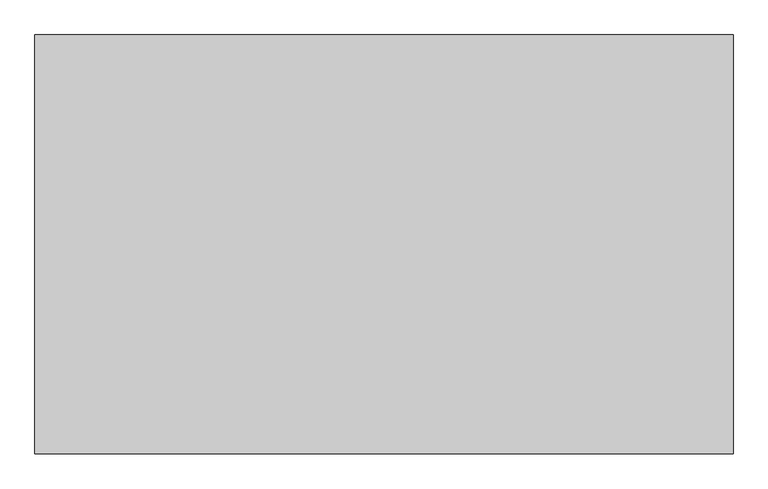
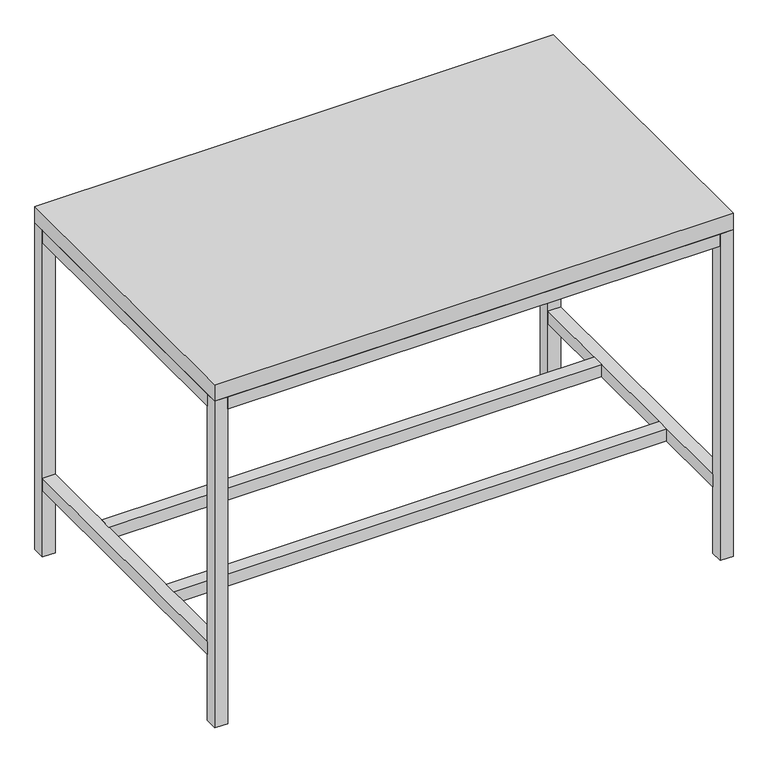
"""IFC4 building model written with IfcOpenShell, lengths in millimetres: furniture geometry."""

from ifc_helpers import new_model, si_unit, frame, origin, origin_with_axes, place, context, project, spatial, polyline, outline, extrude, source, transform, mapped, element, save


def furniture_ef6c764c(model_context):
    return source(origin(), model_context, "Body", "SweptSolid", [
        extrude(outline(polyline([(6337.3, 445.5973297), (6337.3, -468.8026703), (4813.3, -468.8026703), (4813.3, 445.5973297), (6337.3, 445.5973297)])), frame((0.0, 0.0, 1016.0), z_axis=(0.0, 0.0, 1.0), x_axis=(1.0, 0.0, 0.0)), (0.0, 0.0, 1.0), 50.8),
        extrude(outline(polyline([(6299.2, 172.5473297), (6299.2, 134.4473297), (4851.4, 134.4473297), (4851.4, 172.5473297), (6299.2, 172.5473297)])), frame((0.0, 0.0, 206.375), z_axis=(0.0, 0.0, 1.0), x_axis=(1.0, 0.0, 0.0)), (0.0, 0.0, 1.0), 38.1),
        extrude(outline(polyline([(6299.2, -157.6527578), (6299.2, -195.7527578), (4851.4, -195.7527578), (4851.4, -157.6527578), (6299.2, -157.6527578)])), frame((0.0, 0.0, 206.375), z_axis=(0.0, 0.0, 1.0), x_axis=(1.0, 0.0, 0.0)), (0.0, 0.0, 1.0), 38.1),
        extrude(outline(polyline([(6299.2, 407.4973297), (4851.4, 407.4973297), (4851.4, 445.5973297), (6299.2, 445.5973297), (6299.2, 407.4973297)])), frame((0.0, 0.0, 977.9), z_axis=(0.0, 0.0, 1.0), x_axis=(1.0, 0.0, 0.0)), (0.0, 0.0, 1.0), 38.1),
        extrude(outline(polyline([(4851.4, -468.8026703), (4851.4, -430.7027578), (6299.2, -430.7027578), (6299.2, -468.8026703), (4851.4, -468.8026703)])), frame((0.0, 0.0, 977.9), z_axis=(0.0, 0.0, 1.0), x_axis=(1.0, 0.0, 0.0)), (0.0, 0.0, 1.0), 38.1),
        extrude(outline(polyline([(6299.2, -430.7027578), (6299.2, 407.4973297), (6337.3, 407.4973297), (6337.3, -430.7027578), (6299.2, -430.7027578)])), frame((0.0, 0.0, 977.9), z_axis=(0.0, 0.0, 1.0), x_axis=(1.0, 0.0, 0.0)), (0.0, 0.0, 1.0), 38.1),
        extrude(outline(polyline([(6299.2, -430.7027578), (6299.2, 407.4973297), (6337.3, 407.4973297), (6337.3, -430.7027578), (6299.2, -430.7027578)])), frame((0.0, 0.0, 206.375), z_axis=(0.0, 0.0, 1.0), x_axis=(1.0, 0.0, 0.0)), (0.0, 0.0, 1.0), 38.1),
        extrude(outline(polyline([(4813.3, -430.7027578), (4813.3, 407.4973297), (4851.4, 407.4973297), (4851.4, -430.7027578), (4813.3, -430.7027578)])), frame((0.0, 0.0, 206.375), z_axis=(0.0, 0.0, 1.0), x_axis=(1.0, 0.0, 0.0)), (0.0, 0.0, 1.0), 38.1),
        extrude(outline(polyline([(4813.3, -430.7027578), (4813.3, 407.4973297), (4851.4, 407.4973297), (4851.4, -430.7027578), (4813.3, -430.7027578)])), frame((0.0, 0.0, 977.9), z_axis=(0.0, 0.0, 1.0), x_axis=(1.0, 0.0, 0.0)), (0.0, 0.0, 1.0), 38.1),
        extrude(outline(polyline([(6337.3, 445.5973297), (6337.3, 407.4973297), (6299.2, 407.4973297), (6299.2, 445.5973297), (6337.3, 445.5973297)])), origin_with_axes(), (0.0, 0.0, 1.0), 1016.0),
        extrude(outline(polyline([(6337.3, -430.7027578), (6337.3, -468.8026703), (6299.2, -468.8026703), (6299.2, -430.7027578), (6337.3, -430.7027578)])), origin_with_axes(), (0.0, 0.0, 1.0), 1016.0),
        extrude(outline(polyline([(4851.4, -430.7027578), (4851.4, -468.8026703), (4813.3, -468.8026703), (4813.3, -430.7027578), (4851.4, -430.7027578)])), origin_with_axes(), (0.0, 0.0, 1.0), 1016.0),
        extrude(outline(polyline([(4851.4, 445.5973297), (4851.4, 407.4973297), (4813.3, 407.4973297), (4813.3, 445.5973297), (4851.4, 445.5973297)])), origin_with_axes(), (0.0, 0.0, 1.0), 1016.0),
    ])


if __name__ == "__main__":
    model = new_model("IFC4")
    model_context = context("Model", 3, world=origin())
    ifc_project = project(units=[si_unit("LENGTHUNIT", "METRE", prefix="MILLI")], contexts=[model_context])
    site = spatial("IfcSite", under=ifc_project)
    building = spatial("IfcBuilding", under=site)
    placement = place(None, origin())
    furniture_shape = furniture_ef6c764c(model_context)
    element("IfcFurniture", 1, at=placement, inside=building, context=model_context, shape_type="MappedRepresentation", body=[
        mapped(furniture_shape, transform((0.0, 0.0, 0.0), x_axis=(1.0, 0.0, 0.0), y_axis=(0.0, 1.0, 0.0), z_axis=(0.0, 0.0, 1.0))),
    ])
    save(model, "model.ifc")
